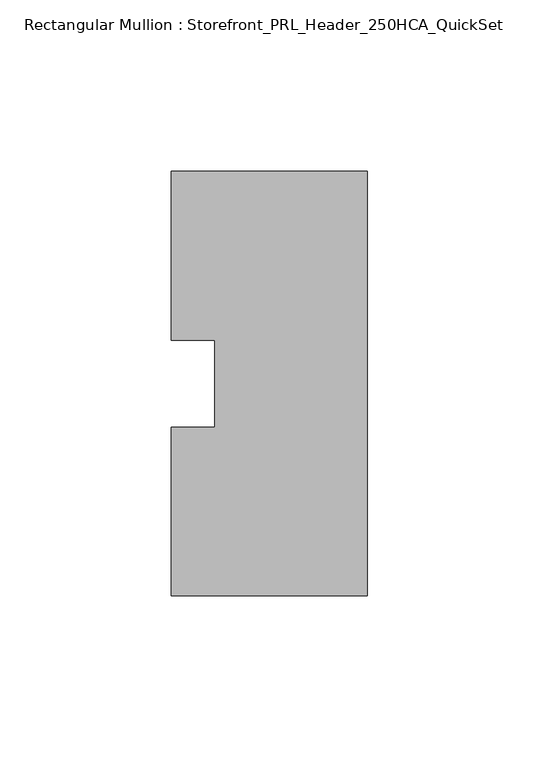
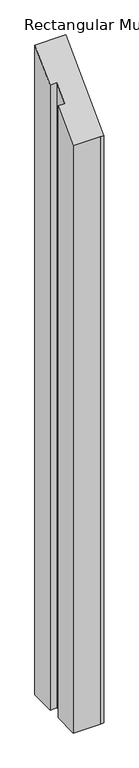
"""IFC4 building model written with IfcOpenShell, lengths in millimetres: member geometry, Rectangular Mullion : Storefront_PRL_Header_250HCA_QuickSet."""

from ifc_helpers import new_model, si_unit, origin, place, context, project, spatial, faceted_brep, source, transform, mapped, element, save


def rectangular_mullion_storefront_prl_header_250hca_quickset_9d1ed079(model_context):
    return source(origin(), model_context, "Body", "Brep", [
        faceted_brep([(-44.45, -12.7, -1219.2), (-44.45, 12.7, -1219.2), (-57.15, 12.7, -1219.2), (-57.15, 61.9125, -1219.2), (-7.7254924, 61.9125, -1219.2), (0.0, 61.9125, -1219.2), (0.0, -61.9125, -1219.2), (-6.35, -61.9125, -1219.2), (-57.15, -61.9125, -1219.2), (-57.15, -12.7, -1219.2), (-57.15, -12.7, -12.7), (-44.45, -12.7, -12.7), (-57.15, -61.9125, -61.9125), (-6.35, -61.9125, -61.9125), (0.0, -61.9125, -61.9125), (0.0, 61.9125, 61.9125), (-7.7254924, 61.9125, 61.9125), (-57.15, 61.9125, 61.9125), (-57.15, 12.7, 12.7), (-44.45, 12.7, 12.7)], [[[0, 1, 2, 3, 4, 5, 6, 7, 8, 9]], [[10, 11, 0, 9]], [[12, 10, 9, 8]], [[13, 12, 8, 7]], [[14, 13, 7, 6]], [[15, 14, 6, 5]], [[16, 15, 5, 4]], [[17, 16, 4, 3]], [[18, 17, 3, 2]], [[19, 18, 2, 1]], [[11, 19, 1, 0]], [[11, 10, 12, 13, 14, 15, 16, 17, 18, 19]]]),
    ])


if __name__ == "__main__":
    model = new_model("IFC4")
    model_context = context("Model", 3, world=origin())
    ifc_project = project(units=[si_unit("LENGTHUNIT", "METRE", prefix="MILLI")], contexts=[model_context])
    site = spatial("IfcSite", under=ifc_project)
    building = spatial("IfcBuilding", under=site)
    placement = place(None, origin())
    rectangular_mullion_storefront_prl_header_250hca_quickset_shape = rectangular_mullion_storefront_prl_header_250hca_quickset_9d1ed079(model_context)
    element("IfcMember", 1, ObjectType="Rectangular Mullion : Storefront_PRL_Header_250HCA_QuickSet", at=placement, inside=building, context=model_context, shape_type="MappedRepresentation", body=[
        mapped(rectangular_mullion_storefront_prl_header_250hca_quickset_shape, transform((0.0, 0.0, 0.0), x_axis=(1.0, 0.0, 0.0), y_axis=(0.0, 1.0, 0.0), z_axis=(0.0, 0.0, 1.0))),
    ])
    save(model, "model.ifc")
